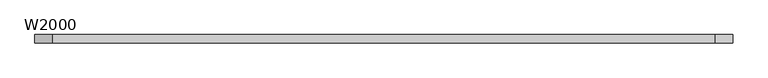
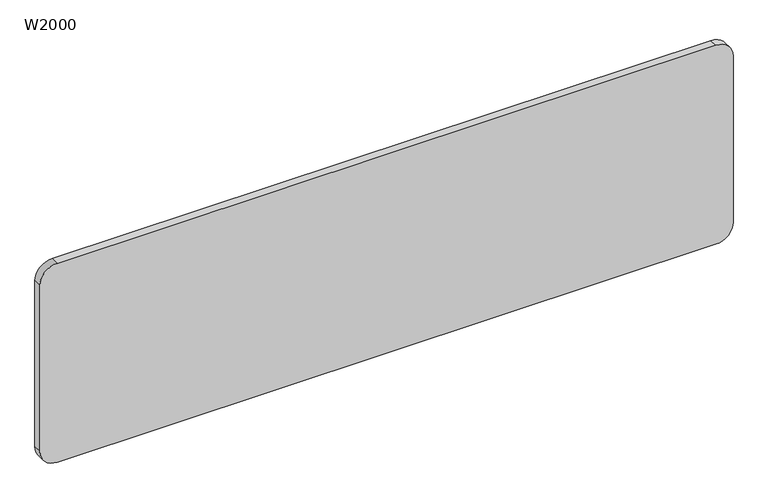
"""IFC4 building model written with IfcOpenShell, lengths in millimetres: furniture geometry, W2000."""

from ifc_helpers import new_model, si_unit, point, frame, frame_2d, origin, place, context, project, spatial, polyline, circle_curve, trimmed, segment, composite_curve, outline, extrude, source, transform, mapped, element, save


def w2000_5e529a3f(model_context):
    return source(origin(), model_context, "Body", "SweptSolid", [
        extrude(outline(composite_curve([segment(polyline([(1165.0000005, 949.9999977), (1165.0000005, -950.0000023)]), True, "CONTINUOUS"), segment(trimmed(circle_curve(frame_2d((1115.0000005, -950.0000023)), 50.0), [point((1165.0000005, -950.0000023))], [point((1115.0000005, -1000.0000023))], False, "CARTESIAN"), True, "CONTINUOUS"), segment(polyline([(1115.0000005, -1000.0000023), (608.0000005, -1000.0000023)]), True, "CONTINUOUS"), segment(trimmed(circle_curve(frame_2d((608.0000005, -950.0000023)), 50.0), [point((608.0000005, -1000.0000023))], [point((558.0000005, -950.0000023))], False, "CARTESIAN"), True, "CONTINUOUS"), segment(polyline([(558.0000005, -950.0000023), (558.0000005, 949.9999977)]), True, "CONTINUOUS"), segment(trimmed(circle_curve(frame_2d((608.0000005, 949.9999977)), 50.0), [point((558.0000005, 949.9999977))], [point((608.0000005, 999.9999977))], False, "CARTESIAN"), True, "CONTINUOUS"), segment(polyline([(608.0000005, 999.9999977), (1115.0000005, 999.9999977)]), True, "CONTINUOUS"), segment(trimmed(circle_curve(frame_2d((1115.0000005, 949.9999977)), 50.0), [point((1115.0000005, 999.9999977))], [point((1165.0000005, 949.9999977))], False, "CARTESIAN"), True, "CONTINUOUS")], self_intersect=False)), frame((0.0, -12.0000871, 0.0), z_axis=(0.0, 1.0, 0.0), x_axis=(0.0, 0.0, 1.0)), (0.0, 0.0, 1.0), 23.9999995),
    ])


if __name__ == "__main__":
    model = new_model("IFC4")
    model_context = context("Model", 3, world=origin())
    ifc_project = project(units=[si_unit("LENGTHUNIT", "METRE", prefix="MILLI")], contexts=[model_context])
    site = spatial("IfcSite", under=ifc_project)
    building = spatial("IfcBuilding", under=site)
    placement = place(None, origin())
    w2000_shape = w2000_5e529a3f(model_context)
    element("IfcFurniture", 1, ObjectType="W2000", at=placement, inside=building, context=model_context, shape_type="MappedRepresentation", body=[
        mapped(w2000_shape, transform((0.0, 0.0, 0.0), x_axis=(1.0, 0.0, 0.0), y_axis=(0.0, 1.0, 0.0), z_axis=(0.0, 0.0, 1.0))),
    ])
    save(model, "model.ifc")
